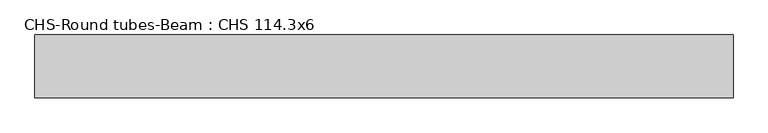
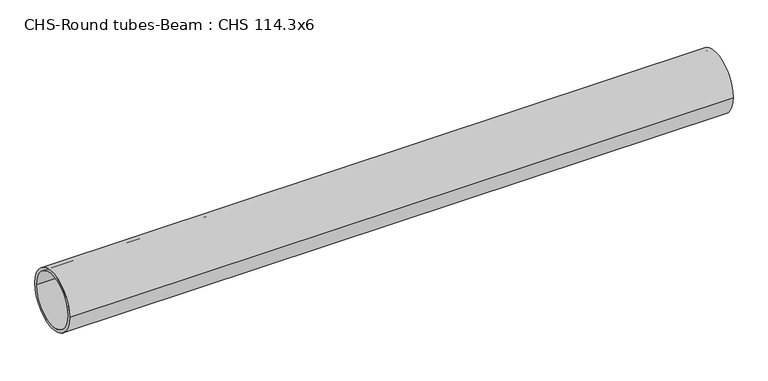
"""IFC4 building model written with IfcOpenShell, lengths in millimetres: beam geometry, CHS-Round tubes-Beam : CHS 114.3x6."""

from ifc_helpers import new_model, si_unit, point, frame, origin, origin_2d, place, context, project, spatial, circle_curve, trimmed, segment, composite_curve, outline, extrude, source, transform, mapped, element, save


def chs_round_tubes_beam_chs_114_3x6_5244af78(model_context):
    return source(origin(), model_context, "Body", "SweptSolid", [
        extrude(outline(composite_curve([segment(trimmed(circle_curve(origin_2d(), 57.15), [point((57.15, 0.0))], [point((-57.15, 0.0))], False, "CARTESIAN"), True, "CONTINUOUS"), segment(trimmed(circle_curve(origin_2d(), 57.15), [point((-57.15, 0.0))], [point((57.15, 0.0))], False, "CARTESIAN"), True, "CONTINUOUS")], self_intersect=False), holes=[composite_curve([segment(trimmed(circle_curve(origin_2d(), 51.15), [point((51.15, 0.0))], [point((-51.15, 0.0))], True, "CARTESIAN"), True, "CONTINUOUS"), segment(trimmed(circle_curve(origin_2d(), 51.15), [point((-51.15, 0.0))], [point((51.15, 0.0))], True, "CARTESIAN"), True, "CONTINUOUS")], self_intersect=False)]), frame((-627.0641344, 0.0, 0.0), z_axis=(1.0, 0.0, 0.0), x_axis=(0.0, 1.0, 0.0)), (0.0, 0.0, 1.0), 1265.8301304),
    ])


if __name__ == "__main__":
    model = new_model("IFC4")
    model_context = context("Model", 3, world=origin())
    ifc_project = project(units=[si_unit("LENGTHUNIT", "METRE", prefix="MILLI")], contexts=[model_context])
    site = spatial("IfcSite", under=ifc_project)
    building = spatial("IfcBuilding", under=site)
    placement = place(None, origin())
    chs_round_tubes_beam_chs_114_3x6_shape = chs_round_tubes_beam_chs_114_3x6_5244af78(model_context)
    element("IfcBeam", 1, ObjectType="CHS-Round tubes-Beam : CHS 114.3x6", at=placement, inside=building, context=model_context, shape_type="MappedRepresentation", body=[
        mapped(chs_round_tubes_beam_chs_114_3x6_shape, transform((0.0, 0.0, 0.0), x_axis=(1.0, 0.0, 0.0), y_axis=(0.0, 1.0, 0.0), z_axis=(0.0, 0.0, 1.0))),
    ])
    save(model, "model.ifc")
